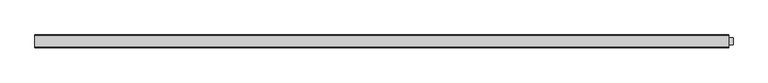
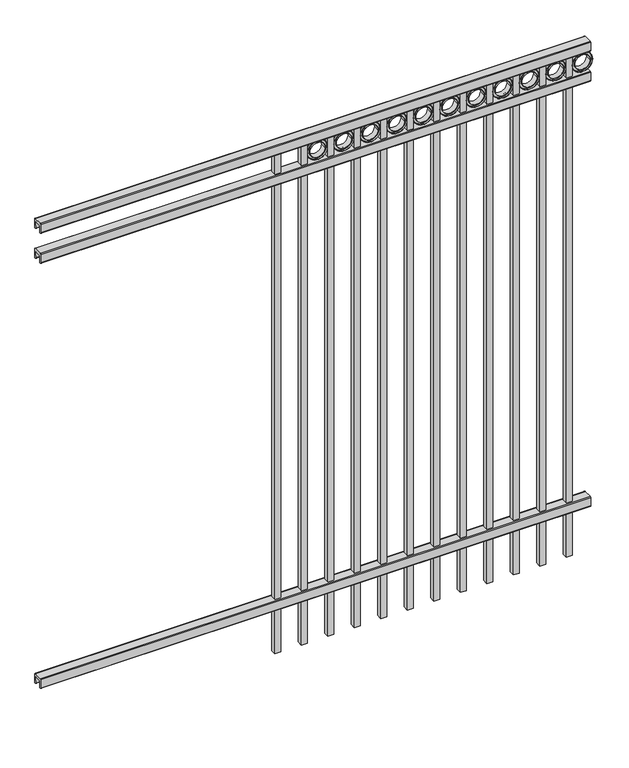
"""IFC4 building model written with IfcOpenShell, lengths in millimetres: railing geometry."""

from ifc_helpers import new_model, si_unit, point, frame, frame_2d, origin, place, context, project, spatial, polyline, circle_curve, trimmed, segment, composite_curve, outline, extrude, source, transform, mapped, element, save


def railing_67d0d50c(model_context):
    return source(origin(), model_context, "Body", "SweptSolid", [
        extrude(outline(composite_curve([segment(polyline([(7301.9139761, 304.8), (7339.969541, 304.8)]), True, "CONTINUOUS"), segment(trimmed(circle_curve(frame_2d((7339.969541, 301.625)), 3.175), [point((7339.969541, 304.8))], [point((7343.144541, 301.625))], False, "CARTESIAN"), True, "CONTINUOUS"), segment(polyline([(7343.144541, 301.625), (7343.144541, 262.1439893)]), True, "CONTINUOUS"), segment(trimmed(circle_curve(frame_2d((7341.3505518, 262.1439893)), 1.7939893), [point((7343.144541, 262.1439893))], [point((7341.3505518, 260.35))], False, "CARTESIAN"), True, "CONTINUOUS"), segment(polyline([(7341.3505518, 260.35), (7338.7590713, 260.35)]), True, "CONTINUOUS"), segment(trimmed(circle_curve(frame_2d((7338.7590713, 262.1359375)), 1.7859375), [point((7338.7590713, 260.35))], [point((7336.9755813, 262.0424688))], False, "CARTESIAN"), True, "CONTINUOUS"), segment(polyline([(7336.9755813, 262.0424688), (7335.4025867, 292.0569942), (7306.4364954, 292.0569942), (7304.8635007, 262.0424688)]), True, "CONTINUOUS"), segment(trimmed(circle_curve(frame_2d((7303.0800108, 262.1359375)), 1.7859375), [point((7304.8635007, 262.0424688))], [point((7303.0800108, 260.35))], False, "CARTESIAN"), True, "CONTINUOUS"), segment(polyline([(7303.0800108, 260.35), (7300.4804785, 260.35)]), True, "CONTINUOUS"), segment(trimmed(circle_curve(frame_2d((7300.4804785, 262.1359375)), 1.7859375), [point((7300.4804785, 260.35))], [point((7298.694541, 262.1359375))], False, "CARTESIAN"), True, "CONTINUOUS"), segment(polyline([(7298.694541, 262.1359375), (7298.694541, 301.5805649)]), True, "CONTINUOUS"), segment(trimmed(circle_curve(frame_2d((7301.9139761, 301.5805649)), 3.2194351), [point((7298.694541, 301.5805649))], [point((7301.9139761, 304.8))], False, "CARTESIAN"), True, "CONTINUOUS")], self_intersect=False)), frame((-6193.0649936, 0.0, 0.0), z_axis=(1.0, 0.0, 0.0), x_axis=(0.0, 1.0, 0.0)), (0.0, 0.0, 1.0), 2438.4),
        extrude(outline(composite_curve([segment(polyline([(7301.9139761, 2297.90625), (7339.969541, 2297.90625)]), True, "CONTINUOUS"), segment(trimmed(circle_curve(frame_2d((7339.969541, 2294.73125)), 3.175), [point((7339.969541, 2297.90625))], [point((7343.144541, 2294.73125))], False, "CARTESIAN"), True, "CONTINUOUS"), segment(polyline([(7343.144541, 2294.73125), (7343.144541, 2255.2502393)]), True, "CONTINUOUS"), segment(trimmed(circle_curve(frame_2d((7341.3505518, 2255.2502393)), 1.7939893), [point((7343.144541, 2255.2502393))], [point((7341.3505518, 2253.45625))], False, "CARTESIAN"), True, "CONTINUOUS"), segment(polyline([(7341.3505518, 2253.45625), (7338.7590713, 2253.45625)]), True, "CONTINUOUS"), segment(trimmed(circle_curve(frame_2d((7338.7590713, 2255.2421875)), 1.7859375), [point((7338.7590713, 2253.45625))], [point((7336.9755813, 2255.1487188))], False, "CARTESIAN"), True, "CONTINUOUS"), segment(polyline([(7336.9755813, 2255.1487188), (7335.4025867, 2285.1632442), (7306.4364954, 2285.1632442), (7304.8635007, 2255.1487188)]), True, "CONTINUOUS"), segment(trimmed(circle_curve(frame_2d((7303.0800108, 2255.2421875)), 1.7859375), [point((7304.8635007, 2255.1487188))], [point((7303.0800108, 2253.45625))], False, "CARTESIAN"), True, "CONTINUOUS"), segment(polyline([(7303.0800108, 2253.45625), (7300.4804785, 2253.45625)]), True, "CONTINUOUS"), segment(trimmed(circle_curve(frame_2d((7300.4804785, 2255.2421875)), 1.7859375), [point((7300.4804785, 2253.45625))], [point((7298.694541, 2255.2421875))], False, "CARTESIAN"), True, "CONTINUOUS"), segment(polyline([(7298.694541, 2255.2421875), (7298.694541, 2294.6868149)]), True, "CONTINUOUS"), segment(trimmed(circle_curve(frame_2d((7301.9139761, 2294.6868149)), 3.2194351), [point((7298.694541, 2294.6868149))], [point((7301.9139761, 2297.90625))], False, "CARTESIAN"), True, "CONTINUOUS")], self_intersect=False)), frame((-6193.0649936, 0.0, 0.0), z_axis=(1.0, 0.0, 0.0), x_axis=(0.0, 1.0, 0.0)), (0.0, 0.0, 1.0), 2438.4),
        extrude(outline(composite_curve([segment(polyline([(7301.9139761, 2438.4), (7339.969541, 2438.4)]), True, "CONTINUOUS"), segment(trimmed(circle_curve(frame_2d((7339.969541, 2435.225)), 3.175), [point((7339.969541, 2438.4))], [point((7343.144541, 2435.225))], False, "CARTESIAN"), True, "CONTINUOUS"), segment(polyline([(7343.144541, 2435.225), (7343.144541, 2395.7439893)]), True, "CONTINUOUS"), segment(trimmed(circle_curve(frame_2d((7341.3505518, 2395.7439893)), 1.7939893), [point((7343.144541, 2395.7439893))], [point((7341.3505518, 2393.95))], False, "CARTESIAN"), True, "CONTINUOUS"), segment(polyline([(7341.3505518, 2393.95), (7338.7590713, 2393.95)]), True, "CONTINUOUS"), segment(trimmed(circle_curve(frame_2d((7338.7590713, 2395.7359375)), 1.7859375), [point((7338.7590713, 2393.95))], [point((7336.9755813, 2395.6424688))], False, "CARTESIAN"), True, "CONTINUOUS"), segment(polyline([(7336.9755813, 2395.6424688), (7335.4025867, 2425.6569942), (7306.4364954, 2425.6569942), (7304.8635007, 2395.6424688)]), True, "CONTINUOUS"), segment(trimmed(circle_curve(frame_2d((7303.0800108, 2395.7359375)), 1.7859375), [point((7304.8635007, 2395.6424688))], [point((7303.0800108, 2393.95))], False, "CARTESIAN"), True, "CONTINUOUS"), segment(polyline([(7303.0800108, 2393.95), (7300.4804785, 2393.95)]), True, "CONTINUOUS"), segment(trimmed(circle_curve(frame_2d((7300.4804785, 2395.7359375)), 1.7859375), [point((7300.4804785, 2393.95))], [point((7298.694541, 2395.7359375))], False, "CARTESIAN"), True, "CONTINUOUS"), segment(polyline([(7298.694541, 2395.7359375), (7298.694541, 2435.1805649)]), True, "CONTINUOUS"), segment(trimmed(circle_curve(frame_2d((7301.9139761, 2435.1805649)), 3.2194351), [point((7298.694541, 2435.1805649))], [point((7301.9139761, 2438.4))], False, "CARTESIAN"), True, "CONTINUOUS")], self_intersect=False)), frame((-6193.0649936, 0.0, 0.0), z_axis=(1.0, 0.0, 0.0), x_axis=(0.0, 1.0, 0.0)), (0.0, 0.0, 1.0), 2438.4),
        extrude(outline(polyline([(0.0, -2343.15), (0.0, 0.0), (25.4, 0.0), (25.4, -2343.15), (0.0, -2343.15)])), frame((-3830.8649864, 7333.619541, 2393.95), z_axis=(-1.0, 0.0, 1.7709660197216138e-09), x_axis=(0.0, -1.0, 0.0)), (0.0, 0.0, 1.0), 25.4),
        extrude(outline(composite_curve([segment(trimmed(circle_curve(frame_2d((2348.2511409, -3785.1661274)), 45.6988591), [point((2348.2511409, -3739.4672684))], [point((2348.2511409, -3830.8649865))], False, "CARTESIAN"), True, "CONTINUOUS"), segment(trimmed(circle_curve(frame_2d((2348.2511409, -3785.1661274)), 45.6988591), [point((2348.2511409, -3830.8649865))], [point((2348.2511409, -3739.4672684))], False, "CARTESIAN"), True, "CONTINUOUS")], self_intersect=False), holes=[composite_curve([segment(trimmed(circle_curve(frame_2d((2348.2511409, -3785.1661274)), 44.101539), [point((2348.2511409, -3741.0645884))], [point((2348.2511409, -3829.2676665))], True, "CARTESIAN"), True, "CONTINUOUS"), segment(trimmed(circle_curve(frame_2d((2348.2511409, -3785.1661274)), 44.101539), [point((2348.2511409, -3829.2676665))], [point((2348.2511409, -3741.0645884))], True, "CARTESIAN"), True, "CONTINUOUS")], self_intersect=False)]), frame((0.0, 7308.219541, 0.0), z_axis=(0.0, 1.0, 0.0), x_axis=(0.0, 0.0, 1.0)), (0.0, 0.0, 1.0), 25.4),
        extrude(outline(composite_curve([segment(trimmed(circle_curve(frame_2d((2348.2511409, -3785.1661274)), 34.6370762), [point((2348.2511409, -3750.5290512))], [point((2348.2511409, -3819.8032037))], False, "CARTESIAN"), True, "CONTINUOUS"), segment(trimmed(circle_curve(frame_2d((2348.2511409, -3785.1661274)), 34.6370762), [point((2348.2511409, -3819.8032037))], [point((2348.2511409, -3750.5290512))], False, "CARTESIAN"), True, "CONTINUOUS")], self_intersect=False), holes=[composite_curve([segment(trimmed(circle_curve(frame_2d((2348.2511409, -3785.1661274)), 33.0443887), [point((2348.2511409, -3752.1217388))], [point((2348.2511409, -3818.2105161))], True, "CARTESIAN"), True, "CONTINUOUS"), segment(trimmed(circle_curve(frame_2d((2348.2511409, -3785.1661274)), 33.0443887), [point((2348.2511409, -3818.2105161))], [point((2348.2511409, -3752.1217388))], True, "CARTESIAN"), True, "CONTINUOUS")], self_intersect=False)]), frame((0.0, 7308.219541, 0.0), z_axis=(0.0, 1.0, 0.0), x_axis=(0.0, 0.0, 1.0)), (0.0, 0.0, 1.0), 25.4),
        extrude(outline(composite_curve([segment(trimmed(circle_curve(frame_2d((2348.2511409, -3785.1661274)), 45.6988591), [point((2348.2511409, -3739.4672684))], [point((2348.2511409, -3830.8649865))], False, "CARTESIAN"), True, "CONTINUOUS"), segment(trimmed(circle_curve(frame_2d((2348.2511409, -3785.1661274)), 45.6988591), [point((2348.2511409, -3830.8649865))], [point((2348.2511409, -3739.4672684))], False, "CARTESIAN"), True, "CONTINUOUS")], self_intersect=False), holes=[composite_curve([segment(trimmed(circle_curve(frame_2d((2348.2511409, -3785.1661274)), 33.0443887), [point((2348.2511409, -3752.1217388))], [point((2348.2511409, -3818.2105161))], True, "CARTESIAN"), True, "CONTINUOUS"), segment(trimmed(circle_curve(frame_2d((2348.2511409, -3785.1661274)), 33.0443887), [point((2348.2511409, -3818.2105161))], [point((2348.2511409, -3752.1217388))], True, "CARTESIAN"), True, "CONTINUOUS")], self_intersect=False)]), frame((0.0, 7314.569541, 0.0), z_axis=(0.0, 1.0, 0.0), x_axis=(0.0, 0.0, 1.0)), (0.0, 0.0, 1.0), 12.7),
        extrude(outline(polyline([(0.0, -2343.15), (0.0, 0.0), (25.4, 0.0), (25.4, -2343.15), (0.0, -2343.15)])), frame((-3948.3399864, 7333.619541, 2393.95), z_axis=(-1.0, 0.0, 1.7709660197216138e-09), x_axis=(0.0, -1.0, 0.0)), (0.0, 0.0, 1.0), 25.4),
        extrude(outline(composite_curve([segment(trimmed(circle_curve(frame_2d((2348.2511409, -3902.6411274)), 45.6988591), [point((2348.2511409, -3856.9422684))], [point((2348.2511409, -3948.3399865))], False, "CARTESIAN"), True, "CONTINUOUS"), segment(trimmed(circle_curve(frame_2d((2348.2511409, -3902.6411274)), 45.6988591), [point((2348.2511409, -3948.3399865))], [point((2348.2511409, -3856.9422684))], False, "CARTESIAN"), True, "CONTINUOUS")], self_intersect=False), holes=[composite_curve([segment(trimmed(circle_curve(frame_2d((2348.2511409, -3902.6411274)), 44.101539), [point((2348.2511409, -3858.5395884))], [point((2348.2511409, -3946.7426665))], True, "CARTESIAN"), True, "CONTINUOUS"), segment(trimmed(circle_curve(frame_2d((2348.2511409, -3902.6411274)), 44.101539), [point((2348.2511409, -3946.7426665))], [point((2348.2511409, -3858.5395884))], True, "CARTESIAN"), True, "CONTINUOUS")], self_intersect=False)]), frame((0.0, 7308.219541, 0.0), z_axis=(0.0, 1.0, 0.0), x_axis=(0.0, 0.0, 1.0)), (0.0, 0.0, 1.0), 25.4),
        extrude(outline(composite_curve([segment(trimmed(circle_curve(frame_2d((2348.2511409, -3902.6411274)), 34.6370762), [point((2348.2511409, -3868.0040512))], [point((2348.2511409, -3937.2782037))], False, "CARTESIAN"), True, "CONTINUOUS"), segment(trimmed(circle_curve(frame_2d((2348.2511409, -3902.6411274)), 34.6370762), [point((2348.2511409, -3937.2782037))], [point((2348.2511409, -3868.0040512))], False, "CARTESIAN"), True, "CONTINUOUS")], self_intersect=False), holes=[composite_curve([segment(trimmed(circle_curve(frame_2d((2348.2511409, -3902.6411274)), 33.0443887), [point((2348.2511409, -3869.5967388))], [point((2348.2511409, -3935.6855161))], True, "CARTESIAN"), True, "CONTINUOUS"), segment(trimmed(circle_curve(frame_2d((2348.2511409, -3902.6411274)), 33.0443887), [point((2348.2511409, -3935.6855161))], [point((2348.2511409, -3869.5967388))], True, "CARTESIAN"), True, "CONTINUOUS")], self_intersect=False)]), frame((0.0, 7308.219541, 0.0), z_axis=(0.0, 1.0, 0.0), x_axis=(0.0, 0.0, 1.0)), (0.0, 0.0, 1.0), 25.4),
        extrude(outline(composite_curve([segment(trimmed(circle_curve(frame_2d((2348.2511409, -3902.6411274)), 45.6988591), [point((2348.2511409, -3856.9422684))], [point((2348.2511409, -3948.3399865))], False, "CARTESIAN"), True, "CONTINUOUS"), segment(trimmed(circle_curve(frame_2d((2348.2511409, -3902.6411274)), 45.6988591), [point((2348.2511409, -3948.3399865))], [point((2348.2511409, -3856.9422684))], False, "CARTESIAN"), True, "CONTINUOUS")], self_intersect=False), holes=[composite_curve([segment(trimmed(circle_curve(frame_2d((2348.2511409, -3902.6411274)), 33.0443887), [point((2348.2511409, -3869.5967388))], [point((2348.2511409, -3935.6855161))], True, "CARTESIAN"), True, "CONTINUOUS"), segment(trimmed(circle_curve(frame_2d((2348.2511409, -3902.6411274)), 33.0443887), [point((2348.2511409, -3935.6855161))], [point((2348.2511409, -3869.5967388))], True, "CARTESIAN"), True, "CONTINUOUS")], self_intersect=False)]), frame((0.0, 7314.569541, 0.0), z_axis=(0.0, 1.0, 0.0), x_axis=(0.0, 0.0, 1.0)), (0.0, 0.0, 1.0), 12.7),
        extrude(outline(polyline([(0.0, -2343.15), (0.0, 0.0), (25.4, 0.0), (25.4, -2343.15), (0.0, -2343.15)])), frame((-4065.8149864, 7333.619541, 2393.95), z_axis=(-1.0, 0.0, 1.7709660197216138e-09), x_axis=(0.0, -1.0, 0.0)), (0.0, 0.0, 1.0), 25.4),
        extrude(outline(composite_curve([segment(trimmed(circle_curve(frame_2d((2348.2511409, -4020.1161274)), 45.6988591), [point((2348.2511409, -3974.4172684))], [point((2348.2511409, -4065.8149865))], False, "CARTESIAN"), True, "CONTINUOUS"), segment(trimmed(circle_curve(frame_2d((2348.2511409, -4020.1161274)), 45.6988591), [point((2348.2511409, -4065.8149865))], [point((2348.2511409, -3974.4172684))], False, "CARTESIAN"), True, "CONTINUOUS")], self_intersect=False), holes=[composite_curve([segment(trimmed(circle_curve(frame_2d((2348.2511409, -4020.1161274)), 44.101539), [point((2348.2511409, -3976.0145884))], [point((2348.2511409, -4064.2176665))], True, "CARTESIAN"), True, "CONTINUOUS"), segment(trimmed(circle_curve(frame_2d((2348.2511409, -4020.1161274)), 44.101539), [point((2348.2511409, -4064.2176665))], [point((2348.2511409, -3976.0145884))], True, "CARTESIAN"), True, "CONTINUOUS")], self_intersect=False)]), frame((0.0, 7308.219541, 0.0), z_axis=(0.0, 1.0, 0.0), x_axis=(0.0, 0.0, 1.0)), (0.0, 0.0, 1.0), 25.4),
        extrude(outline(composite_curve([segment(trimmed(circle_curve(frame_2d((2348.2511409, -4020.1161274)), 34.6370762), [point((2348.2511409, -3985.4790512))], [point((2348.2511409, -4054.7532037))], False, "CARTESIAN"), True, "CONTINUOUS"), segment(trimmed(circle_curve(frame_2d((2348.2511409, -4020.1161274)), 34.6370762), [point((2348.2511409, -4054.7532037))], [point((2348.2511409, -3985.4790512))], False, "CARTESIAN"), True, "CONTINUOUS")], self_intersect=False), holes=[composite_curve([segment(trimmed(circle_curve(frame_2d((2348.2511409, -4020.1161274)), 33.0443887), [point((2348.2511409, -3987.0717388))], [point((2348.2511409, -4053.1605161))], True, "CARTESIAN"), True, "CONTINUOUS"), segment(trimmed(circle_curve(frame_2d((2348.2511409, -4020.1161274)), 33.0443887), [point((2348.2511409, -4053.1605161))], [point((2348.2511409, -3987.0717388))], True, "CARTESIAN"), True, "CONTINUOUS")], self_intersect=False)]), frame((0.0, 7308.219541, 0.0), z_axis=(0.0, 1.0, 0.0), x_axis=(0.0, 0.0, 1.0)), (0.0, 0.0, 1.0), 25.4),
        extrude(outline(composite_curve([segment(trimmed(circle_curve(frame_2d((2348.2511409, -4020.1161274)), 45.6988591), [point((2348.2511409, -3974.4172684))], [point((2348.2511409, -4065.8149865))], False, "CARTESIAN"), True, "CONTINUOUS"), segment(trimmed(circle_curve(frame_2d((2348.2511409, -4020.1161274)), 45.6988591), [point((2348.2511409, -4065.8149865))], [point((2348.2511409, -3974.4172684))], False, "CARTESIAN"), True, "CONTINUOUS")], self_intersect=False), holes=[composite_curve([segment(trimmed(circle_curve(frame_2d((2348.2511409, -4020.1161274)), 33.0443887), [point((2348.2511409, -3987.0717388))], [point((2348.2511409, -4053.1605161))], True, "CARTESIAN"), True, "CONTINUOUS"), segment(trimmed(circle_curve(frame_2d((2348.2511409, -4020.1161274)), 33.0443887), [point((2348.2511409, -4053.1605161))], [point((2348.2511409, -3987.0717388))], True, "CARTESIAN"), True, "CONTINUOUS")], self_intersect=False)]), frame((0.0, 7314.569541, 0.0), z_axis=(0.0, 1.0, 0.0), x_axis=(0.0, 0.0, 1.0)), (0.0, 0.0, 1.0), 12.7),
        extrude(outline(polyline([(0.0, -2343.15), (0.0, 0.0), (25.4, 0.0), (25.4, -2343.15), (0.0, -2343.15)])), frame((-4183.2899864, 7333.619541, 2393.95), z_axis=(-1.0, 0.0, 1.7709660197216138e-09), x_axis=(0.0, -1.0, 0.0)), (0.0, 0.0, 1.0), 25.4),
        extrude(outline(composite_curve([segment(trimmed(circle_curve(frame_2d((2348.2511409, -4137.5911274)), 45.6988591), [point((2348.2511409, -4091.8922684))], [point((2348.2511409, -4183.2899865))], False, "CARTESIAN"), True, "CONTINUOUS"), segment(trimmed(circle_curve(frame_2d((2348.2511409, -4137.5911274)), 45.6988591), [point((2348.2511409, -4183.2899865))], [point((2348.2511409, -4091.8922684))], False, "CARTESIAN"), True, "CONTINUOUS")], self_intersect=False), holes=[composite_curve([segment(trimmed(circle_curve(frame_2d((2348.2511409, -4137.5911274)), 44.101539), [point((2348.2511409, -4093.4895884))], [point((2348.2511409, -4181.6926665))], True, "CARTESIAN"), True, "CONTINUOUS"), segment(trimmed(circle_curve(frame_2d((2348.2511409, -4137.5911274)), 44.101539), [point((2348.2511409, -4181.6926665))], [point((2348.2511409, -4093.4895884))], True, "CARTESIAN"), True, "CONTINUOUS")], self_intersect=False)]), frame((0.0, 7308.219541, 0.0), z_axis=(0.0, 1.0, 0.0), x_axis=(0.0, 0.0, 1.0)), (0.0, 0.0, 1.0), 25.4),
        extrude(outline(composite_curve([segment(trimmed(circle_curve(frame_2d((2348.2511409, -4137.5911274)), 34.6370762), [point((2348.2511409, -4102.9540512))], [point((2348.2511409, -4172.2282037))], False, "CARTESIAN"), True, "CONTINUOUS"), segment(trimmed(circle_curve(frame_2d((2348.2511409, -4137.5911274)), 34.6370762), [point((2348.2511409, -4172.2282037))], [point((2348.2511409, -4102.9540512))], False, "CARTESIAN"), True, "CONTINUOUS")], self_intersect=False), holes=[composite_curve([segment(trimmed(circle_curve(frame_2d((2348.2511409, -4137.5911274)), 33.0443887), [point((2348.2511409, -4104.5467388))], [point((2348.2511409, -4170.6355161))], True, "CARTESIAN"), True, "CONTINUOUS"), segment(trimmed(circle_curve(frame_2d((2348.2511409, -4137.5911274)), 33.0443887), [point((2348.2511409, -4170.6355161))], [point((2348.2511409, -4104.5467388))], True, "CARTESIAN"), True, "CONTINUOUS")], self_intersect=False)]), frame((0.0, 7308.219541, 0.0), z_axis=(0.0, 1.0, 0.0), x_axis=(0.0, 0.0, 1.0)), (0.0, 0.0, 1.0), 25.4),
        extrude(outline(composite_curve([segment(trimmed(circle_curve(frame_2d((2348.2511409, -4137.5911274)), 45.6988591), [point((2348.2511409, -4091.8922684))], [point((2348.2511409, -4183.2899865))], False, "CARTESIAN"), True, "CONTINUOUS"), segment(trimmed(circle_curve(frame_2d((2348.2511409, -4137.5911274)), 45.6988591), [point((2348.2511409, -4183.2899865))], [point((2348.2511409, -4091.8922684))], False, "CARTESIAN"), True, "CONTINUOUS")], self_intersect=False), holes=[composite_curve([segment(trimmed(circle_curve(frame_2d((2348.2511409, -4137.5911274)), 33.0443887), [point((2348.2511409, -4104.5467388))], [point((2348.2511409, -4170.6355161))], True, "CARTESIAN"), True, "CONTINUOUS"), segment(trimmed(circle_curve(frame_2d((2348.2511409, -4137.5911274)), 33.0443887), [point((2348.2511409, -4170.6355161))], [point((2348.2511409, -4104.5467388))], True, "CARTESIAN"), True, "CONTINUOUS")], self_intersect=False)]), frame((0.0, 7314.569541, 0.0), z_axis=(0.0, 1.0, 0.0), x_axis=(0.0, 0.0, 1.0)), (0.0, 0.0, 1.0), 12.7),
        extrude(outline(polyline([(0.0, -2343.15), (0.0, 0.0), (25.4, 0.0), (25.4, -2343.15), (0.0, -2343.15)])), frame((-4300.7649864, 7333.619541, 2393.95), z_axis=(-1.0, 0.0, 1.7709660197216138e-09), x_axis=(0.0, -1.0, 0.0)), (0.0, 0.0, 1.0), 25.4),
        extrude(outline(composite_curve([segment(trimmed(circle_curve(frame_2d((2348.2511409, -4255.0661274)), 45.6988591), [point((2348.2511409, -4209.3672684))], [point((2348.2511409, -4300.7649865))], False, "CARTESIAN"), True, "CONTINUOUS"), segment(trimmed(circle_curve(frame_2d((2348.2511409, -4255.0661274)), 45.6988591), [point((2348.2511409, -4300.7649865))], [point((2348.2511409, -4209.3672684))], False, "CARTESIAN"), True, "CONTINUOUS")], self_intersect=False), holes=[composite_curve([segment(trimmed(circle_curve(frame_2d((2348.2511409, -4255.0661274)), 44.101539), [point((2348.2511409, -4210.9645884))], [point((2348.2511409, -4299.1676665))], True, "CARTESIAN"), True, "CONTINUOUS"), segment(trimmed(circle_curve(frame_2d((2348.2511409, -4255.0661274)), 44.101539), [point((2348.2511409, -4299.1676665))], [point((2348.2511409, -4210.9645884))], True, "CARTESIAN"), True, "CONTINUOUS")], self_intersect=False)]), frame((0.0, 7308.219541, 0.0), z_axis=(0.0, 1.0, 0.0), x_axis=(0.0, 0.0, 1.0)), (0.0, 0.0, 1.0), 25.4),
        extrude(outline(composite_curve([segment(trimmed(circle_curve(frame_2d((2348.2511409, -4255.0661274)), 34.6370762), [point((2348.2511409, -4220.4290512))], [point((2348.2511409, -4289.7032037))], False, "CARTESIAN"), True, "CONTINUOUS"), segment(trimmed(circle_curve(frame_2d((2348.2511409, -4255.0661274)), 34.6370762), [point((2348.2511409, -4289.7032037))], [point((2348.2511409, -4220.4290512))], False, "CARTESIAN"), True, "CONTINUOUS")], self_intersect=False), holes=[composite_curve([segment(trimmed(circle_curve(frame_2d((2348.2511409, -4255.0661274)), 33.0443887), [point((2348.2511409, -4222.0217388))], [point((2348.2511409, -4288.1105161))], True, "CARTESIAN"), True, "CONTINUOUS"), segment(trimmed(circle_curve(frame_2d((2348.2511409, -4255.0661274)), 33.0443887), [point((2348.2511409, -4288.1105161))], [point((2348.2511409, -4222.0217388))], True, "CARTESIAN"), True, "CONTINUOUS")], self_intersect=False)]), frame((0.0, 7308.219541, 0.0), z_axis=(0.0, 1.0, 0.0), x_axis=(0.0, 0.0, 1.0)), (0.0, 0.0, 1.0), 25.4),
        extrude(outline(composite_curve([segment(trimmed(circle_curve(frame_2d((2348.2511409, -4255.0661274)), 45.6988591), [point((2348.2511409, -4209.3672684))], [point((2348.2511409, -4300.7649865))], False, "CARTESIAN"), True, "CONTINUOUS"), segment(trimmed(circle_curve(frame_2d((2348.2511409, -4255.0661274)), 45.6988591), [point((2348.2511409, -4300.7649865))], [point((2348.2511409, -4209.3672684))], False, "CARTESIAN"), True, "CONTINUOUS")], self_intersect=False), holes=[composite_curve([segment(trimmed(circle_curve(frame_2d((2348.2511409, -4255.0661274)), 33.0443887), [point((2348.2511409, -4222.0217388))], [point((2348.2511409, -4288.1105161))], True, "CARTESIAN"), True, "CONTINUOUS"), segment(trimmed(circle_curve(frame_2d((2348.2511409, -4255.0661274)), 33.0443887), [point((2348.2511409, -4288.1105161))], [point((2348.2511409, -4222.0217388))], True, "CARTESIAN"), True, "CONTINUOUS")], self_intersect=False)]), frame((0.0, 7314.569541, 0.0), z_axis=(0.0, 1.0, 0.0), x_axis=(0.0, 0.0, 1.0)), (0.0, 0.0, 1.0), 12.7),
        extrude(outline(polyline([(0.0, -2343.15), (0.0, 0.0), (25.4, 0.0), (25.4, -2343.15), (0.0, -2343.15)])), frame((-4418.2399864, 7333.619541, 2393.95), z_axis=(-1.0, 0.0, 1.7709660197216138e-09), x_axis=(0.0, -1.0, 0.0)), (0.0, 0.0, 1.0), 25.4),
        extrude(outline(composite_curve([segment(trimmed(circle_curve(frame_2d((2348.2511409, -4372.5411274)), 45.6988591), [point((2348.2511409, -4326.8422684))], [point((2348.2511409, -4418.2399865))], False, "CARTESIAN"), True, "CONTINUOUS"), segment(trimmed(circle_curve(frame_2d((2348.2511409, -4372.5411274)), 45.6988591), [point((2348.2511409, -4418.2399865))], [point((2348.2511409, -4326.8422684))], False, "CARTESIAN"), True, "CONTINUOUS")], self_intersect=False), holes=[composite_curve([segment(trimmed(circle_curve(frame_2d((2348.2511409, -4372.5411274)), 44.101539), [point((2348.2511409, -4328.4395884))], [point((2348.2511409, -4416.6426665))], True, "CARTESIAN"), True, "CONTINUOUS"), segment(trimmed(circle_curve(frame_2d((2348.2511409, -4372.5411274)), 44.101539), [point((2348.2511409, -4416.6426665))], [point((2348.2511409, -4328.4395884))], True, "CARTESIAN"), True, "CONTINUOUS")], self_intersect=False)]), frame((0.0, 7308.219541, 0.0), z_axis=(0.0, 1.0, 0.0), x_axis=(0.0, 0.0, 1.0)), (0.0, 0.0, 1.0), 25.4),
        extrude(outline(composite_curve([segment(trimmed(circle_curve(frame_2d((2348.2511409, -4372.5411274)), 34.6370762), [point((2348.2511409, -4337.9040512))], [point((2348.2511409, -4407.1782037))], False, "CARTESIAN"), True, "CONTINUOUS"), segment(trimmed(circle_curve(frame_2d((2348.2511409, -4372.5411274)), 34.6370762), [point((2348.2511409, -4407.1782037))], [point((2348.2511409, -4337.9040512))], False, "CARTESIAN"), True, "CONTINUOUS")], self_intersect=False), holes=[composite_curve([segment(trimmed(circle_curve(frame_2d((2348.2511409, -4372.5411274)), 33.0443887), [point((2348.2511409, -4339.4967388))], [point((2348.2511409, -4405.5855161))], True, "CARTESIAN"), True, "CONTINUOUS"), segment(trimmed(circle_curve(frame_2d((2348.2511409, -4372.5411274)), 33.0443887), [point((2348.2511409, -4405.5855161))], [point((2348.2511409, -4339.4967388))], True, "CARTESIAN"), True, "CONTINUOUS")], self_intersect=False)]), frame((0.0, 7308.219541, 0.0), z_axis=(0.0, 1.0, 0.0), x_axis=(0.0, 0.0, 1.0)), (0.0, 0.0, 1.0), 25.4),
        extrude(outline(composite_curve([segment(trimmed(circle_curve(frame_2d((2348.2511409, -4372.5411274)), 45.6988591), [point((2348.2511409, -4326.8422684))], [point((2348.2511409, -4418.2399865))], False, "CARTESIAN"), True, "CONTINUOUS"), segment(trimmed(circle_curve(frame_2d((2348.2511409, -4372.5411274)), 45.6988591), [point((2348.2511409, -4418.2399865))], [point((2348.2511409, -4326.8422684))], False, "CARTESIAN"), True, "CONTINUOUS")], self_intersect=False), holes=[composite_curve([segment(trimmed(circle_curve(frame_2d((2348.2511409, -4372.5411274)), 33.0443887), [point((2348.2511409, -4339.4967388))], [point((2348.2511409, -4405.5855161))], True, "CARTESIAN"), True, "CONTINUOUS"), segment(trimmed(circle_curve(frame_2d((2348.2511409, -4372.5411274)), 33.0443887), [point((2348.2511409, -4405.5855161))], [point((2348.2511409, -4339.4967388))], True, "CARTESIAN"), True, "CONTINUOUS")], self_intersect=False)]), frame((0.0, 7314.569541, 0.0), z_axis=(0.0, 1.0, 0.0), x_axis=(0.0, 0.0, 1.0)), (0.0, 0.0, 1.0), 12.7),
        extrude(outline(polyline([(0.0, -2343.15), (0.0, 0.0), (25.4, 0.0), (25.4, -2343.15), (0.0, -2343.15)])), frame((-4535.7149864, 7333.619541, 2393.95), z_axis=(-1.0, 0.0, 1.7709660197216138e-09), x_axis=(0.0, -1.0, 0.0)), (0.0, 0.0, 1.0), 25.4),
        extrude(outline(composite_curve([segment(trimmed(circle_curve(frame_2d((2348.2511409, -4490.0161274)), 45.6988591), [point((2348.2511409, -4444.3172684))], [point((2348.2511409, -4535.7149865))], False, "CARTESIAN"), True, "CONTINUOUS"), segment(trimmed(circle_curve(frame_2d((2348.2511409, -4490.0161274)), 45.6988591), [point((2348.2511409, -4535.7149865))], [point((2348.2511409, -4444.3172684))], False, "CARTESIAN"), True, "CONTINUOUS")], self_intersect=False), holes=[composite_curve([segment(trimmed(circle_curve(frame_2d((2348.2511409, -4490.0161274)), 44.101539), [point((2348.2511409, -4445.9145884))], [point((2348.2511409, -4534.1176665))], True, "CARTESIAN"), True, "CONTINUOUS"), segment(trimmed(circle_curve(frame_2d((2348.2511409, -4490.0161274)), 44.101539), [point((2348.2511409, -4534.1176665))], [point((2348.2511409, -4445.9145884))], True, "CARTESIAN"), True, "CONTINUOUS")], self_intersect=False)]), frame((0.0, 7308.219541, 0.0), z_axis=(0.0, 1.0, 0.0), x_axis=(0.0, 0.0, 1.0)), (0.0, 0.0, 1.0), 25.4),
        extrude(outline(composite_curve([segment(trimmed(circle_curve(frame_2d((2348.2511409, -4490.0161274)), 34.6370762), [point((2348.2511409, -4455.3790512))], [point((2348.2511409, -4524.6532037))], False, "CARTESIAN"), True, "CONTINUOUS"), segment(trimmed(circle_curve(frame_2d((2348.2511409, -4490.0161274)), 34.6370762), [point((2348.2511409, -4524.6532037))], [point((2348.2511409, -4455.3790512))], False, "CARTESIAN"), True, "CONTINUOUS")], self_intersect=False), holes=[composite_curve([segment(trimmed(circle_curve(frame_2d((2348.2511409, -4490.0161274)), 33.0443887), [point((2348.2511409, -4456.9717388))], [point((2348.2511409, -4523.0605161))], True, "CARTESIAN"), True, "CONTINUOUS"), segment(trimmed(circle_curve(frame_2d((2348.2511409, -4490.0161274)), 33.0443887), [point((2348.2511409, -4523.0605161))], [point((2348.2511409, -4456.9717388))], True, "CARTESIAN"), True, "CONTINUOUS")], self_intersect=False)]), frame((0.0, 7308.219541, 0.0), z_axis=(0.0, 1.0, 0.0), x_axis=(0.0, 0.0, 1.0)), (0.0, 0.0, 1.0), 25.4),
        extrude(outline(composite_curve([segment(trimmed(circle_curve(frame_2d((2348.2511409, -4490.0161274)), 45.6988591), [point((2348.2511409, -4444.3172684))], [point((2348.2511409, -4535.7149865))], False, "CARTESIAN"), True, "CONTINUOUS"), segment(trimmed(circle_curve(frame_2d((2348.2511409, -4490.0161274)), 45.6988591), [point((2348.2511409, -4535.7149865))], [point((2348.2511409, -4444.3172684))], False, "CARTESIAN"), True, "CONTINUOUS")], self_intersect=False), holes=[composite_curve([segment(trimmed(circle_curve(frame_2d((2348.2511409, -4490.0161274)), 33.0443887), [point((2348.2511409, -4456.9717388))], [point((2348.2511409, -4523.0605161))], True, "CARTESIAN"), True, "CONTINUOUS"), segment(trimmed(circle_curve(frame_2d((2348.2511409, -4490.0161274)), 33.0443887), [point((2348.2511409, -4523.0605161))], [point((2348.2511409, -4456.9717388))], True, "CARTESIAN"), True, "CONTINUOUS")], self_intersect=False)]), frame((0.0, 7314.569541, 0.0), z_axis=(0.0, 1.0, 0.0), x_axis=(0.0, 0.0, 1.0)), (0.0, 0.0, 1.0), 12.7),
        extrude(outline(polyline([(0.0, -2343.15), (0.0, 0.0), (25.4, 0.0), (25.4, -2343.15), (0.0, -2343.15)])), frame((-4653.1899864, 7333.619541, 2393.95), z_axis=(-1.0, 0.0, 1.7709660197216138e-09), x_axis=(0.0, -1.0, 0.0)), (0.0, 0.0, 1.0), 25.4),
        extrude(outline(composite_curve([segment(trimmed(circle_curve(frame_2d((2348.2511409, -4607.4911274)), 45.6988591), [point((2348.2511409, -4561.7922684))], [point((2348.2511409, -4653.1899865))], False, "CARTESIAN"), True, "CONTINUOUS"), segment(trimmed(circle_curve(frame_2d((2348.2511409, -4607.4911274)), 45.6988591), [point((2348.2511409, -4653.1899865))], [point((2348.2511409, -4561.7922684))], False, "CARTESIAN"), True, "CONTINUOUS")], self_intersect=False), holes=[composite_curve([segment(trimmed(circle_curve(frame_2d((2348.2511409, -4607.4911274)), 44.101539), [point((2348.2511409, -4563.3895884))], [point((2348.2511409, -4651.5926665))], True, "CARTESIAN"), True, "CONTINUOUS"), segment(trimmed(circle_curve(frame_2d((2348.2511409, -4607.4911274)), 44.101539), [point((2348.2511409, -4651.5926665))], [point((2348.2511409, -4563.3895884))], True, "CARTESIAN"), True, "CONTINUOUS")], self_intersect=False)]), frame((0.0, 7308.219541, 0.0), z_axis=(0.0, 1.0, 0.0), x_axis=(0.0, 0.0, 1.0)), (0.0, 0.0, 1.0), 25.4),
        extrude(outline(composite_curve([segment(trimmed(circle_curve(frame_2d((2348.2511409, -4607.4911274)), 34.6370762), [point((2348.2511409, -4572.8540512))], [point((2348.2511409, -4642.1282037))], False, "CARTESIAN"), True, "CONTINUOUS"), segment(trimmed(circle_curve(frame_2d((2348.2511409, -4607.4911274)), 34.6370762), [point((2348.2511409, -4642.1282037))], [point((2348.2511409, -4572.8540512))], False, "CARTESIAN"), True, "CONTINUOUS")], self_intersect=False), holes=[composite_curve([segment(trimmed(circle_curve(frame_2d((2348.2511409, -4607.4911274)), 33.0443887), [point((2348.2511409, -4574.4467388))], [point((2348.2511409, -4640.5355161))], True, "CARTESIAN"), True, "CONTINUOUS"), segment(trimmed(circle_curve(frame_2d((2348.2511409, -4607.4911274)), 33.0443887), [point((2348.2511409, -4640.5355161))], [point((2348.2511409, -4574.4467388))], True, "CARTESIAN"), True, "CONTINUOUS")], self_intersect=False)]), frame((0.0, 7308.219541, 0.0), z_axis=(0.0, 1.0, 0.0), x_axis=(0.0, 0.0, 1.0)), (0.0, 0.0, 1.0), 25.4),
        extrude(outline(composite_curve([segment(trimmed(circle_curve(frame_2d((2348.2511409, -4607.4911274)), 45.6988591), [point((2348.2511409, -4561.7922684))], [point((2348.2511409, -4653.1899865))], False, "CARTESIAN"), True, "CONTINUOUS"), segment(trimmed(circle_curve(frame_2d((2348.2511409, -4607.4911274)), 45.6988591), [point((2348.2511409, -4653.1899865))], [point((2348.2511409, -4561.7922684))], False, "CARTESIAN"), True, "CONTINUOUS")], self_intersect=False), holes=[composite_curve([segment(trimmed(circle_curve(frame_2d((2348.2511409, -4607.4911274)), 33.0443887), [point((2348.2511409, -4574.4467388))], [point((2348.2511409, -4640.5355161))], True, "CARTESIAN"), True, "CONTINUOUS"), segment(trimmed(circle_curve(frame_2d((2348.2511409, -4607.4911274)), 33.0443887), [point((2348.2511409, -4640.5355161))], [point((2348.2511409, -4574.4467388))], True, "CARTESIAN"), True, "CONTINUOUS")], self_intersect=False)]), frame((0.0, 7314.569541, 0.0), z_axis=(0.0, 1.0, 0.0), x_axis=(0.0, 0.0, 1.0)), (0.0, 0.0, 1.0), 12.7),
        extrude(outline(polyline([(0.0, -2343.15), (0.0, 0.0), (25.4, 0.0), (25.4, -2343.15), (0.0, -2343.15)])), frame((-4770.6649864, 7333.619541, 2393.95), z_axis=(-1.0, 0.0, 1.7709660197216138e-09), x_axis=(0.0, -1.0, 0.0)), (0.0, 0.0, 1.0), 25.4),
        extrude(outline(composite_curve([segment(trimmed(circle_curve(frame_2d((2348.2511409, -4724.9661274)), 45.6988591), [point((2348.2511409, -4679.2672684))], [point((2348.2511409, -4770.6649865))], False, "CARTESIAN"), True, "CONTINUOUS"), segment(trimmed(circle_curve(frame_2d((2348.2511409, -4724.9661274)), 45.6988591), [point((2348.2511409, -4770.6649865))], [point((2348.2511409, -4679.2672684))], False, "CARTESIAN"), True, "CONTINUOUS")], self_intersect=False), holes=[composite_curve([segment(trimmed(circle_curve(frame_2d((2348.2511409, -4724.9661274)), 44.101539), [point((2348.2511409, -4680.8645884))], [point((2348.2511409, -4769.0676665))], True, "CARTESIAN"), True, "CONTINUOUS"), segment(trimmed(circle_curve(frame_2d((2348.2511409, -4724.9661274)), 44.101539), [point((2348.2511409, -4769.0676665))], [point((2348.2511409, -4680.8645884))], True, "CARTESIAN"), True, "CONTINUOUS")], self_intersect=False)]), frame((0.0, 7308.219541, 0.0), z_axis=(0.0, 1.0, 0.0), x_axis=(0.0, 0.0, 1.0)), (0.0, 0.0, 1.0), 25.4),
        extrude(outline(composite_curve([segment(trimmed(circle_curve(frame_2d((2348.2511409, -4724.9661274)), 34.6370762), [point((2348.2511409, -4690.3290512))], [point((2348.2511409, -4759.6032037))], False, "CARTESIAN"), True, "CONTINUOUS"), segment(trimmed(circle_curve(frame_2d((2348.2511409, -4724.9661274)), 34.6370762), [point((2348.2511409, -4759.6032037))], [point((2348.2511409, -4690.3290512))], False, "CARTESIAN"), True, "CONTINUOUS")], self_intersect=False), holes=[composite_curve([segment(trimmed(circle_curve(frame_2d((2348.2511409, -4724.9661274)), 33.0443887), [point((2348.2511409, -4691.9217388))], [point((2348.2511409, -4758.0105161))], True, "CARTESIAN"), True, "CONTINUOUS"), segment(trimmed(circle_curve(frame_2d((2348.2511409, -4724.9661274)), 33.0443887), [point((2348.2511409, -4758.0105161))], [point((2348.2511409, -4691.9217388))], True, "CARTESIAN"), True, "CONTINUOUS")], self_intersect=False)]), frame((0.0, 7308.219541, 0.0), z_axis=(0.0, 1.0, 0.0), x_axis=(0.0, 0.0, 1.0)), (0.0, 0.0, 1.0), 25.4),
        extrude(outline(composite_curve([segment(trimmed(circle_curve(frame_2d((2348.2511409, -4724.9661274)), 45.6988591), [point((2348.2511409, -4679.2672684))], [point((2348.2511409, -4770.6649865))], False, "CARTESIAN"), True, "CONTINUOUS"), segment(trimmed(circle_curve(frame_2d((2348.2511409, -4724.9661274)), 45.6988591), [point((2348.2511409, -4770.6649865))], [point((2348.2511409, -4679.2672684))], False, "CARTESIAN"), True, "CONTINUOUS")], self_intersect=False), holes=[composite_curve([segment(trimmed(circle_curve(frame_2d((2348.2511409, -4724.9661274)), 33.0443887), [point((2348.2511409, -4691.9217388))], [point((2348.2511409, -4758.0105161))], True, "CARTESIAN"), True, "CONTINUOUS"), segment(trimmed(circle_curve(frame_2d((2348.2511409, -4724.9661274)), 33.0443887), [point((2348.2511409, -4758.0105161))], [point((2348.2511409, -4691.9217388))], True, "CARTESIAN"), True, "CONTINUOUS")], self_intersect=False)]), frame((0.0, 7314.569541, 0.0), z_axis=(0.0, 1.0, 0.0), x_axis=(0.0, 0.0, 1.0)), (0.0, 0.0, 1.0), 12.7),
        extrude(outline(polyline([(0.0, -2343.15), (0.0, 0.0), (25.4, 0.0), (25.4, -2343.15), (0.0, -2343.15)])), frame((-4888.1399864, 7333.619541, 2393.95), z_axis=(-1.0, 0.0, 1.7709660197216138e-09), x_axis=(0.0, -1.0, 0.0)), (0.0, 0.0, 1.0), 25.4),
        extrude(outline(composite_curve([segment(trimmed(circle_curve(frame_2d((2348.2511409, -4842.4411274)), 45.6988591), [point((2348.2511409, -4796.7422684))], [point((2348.2511409, -4888.1399865))], False, "CARTESIAN"), True, "CONTINUOUS"), segment(trimmed(circle_curve(frame_2d((2348.2511409, -4842.4411274)), 45.6988591), [point((2348.2511409, -4888.1399865))], [point((2348.2511409, -4796.7422684))], False, "CARTESIAN"), True, "CONTINUOUS")], self_intersect=False), holes=[composite_curve([segment(trimmed(circle_curve(frame_2d((2348.2511409, -4842.4411274)), 44.101539), [point((2348.2511409, -4798.3395884))], [point((2348.2511409, -4886.5426665))], True, "CARTESIAN"), True, "CONTINUOUS"), segment(trimmed(circle_curve(frame_2d((2348.2511409, -4842.4411274)), 44.101539), [point((2348.2511409, -4886.5426665))], [point((2348.2511409, -4798.3395884))], True, "CARTESIAN"), True, "CONTINUOUS")], self_intersect=False)]), frame((0.0, 7308.219541, 0.0), z_axis=(0.0, 1.0, 0.0), x_axis=(0.0, 0.0, 1.0)), (0.0, 0.0, 1.0), 25.4),
        extrude(outline(composite_curve([segment(trimmed(circle_curve(frame_2d((2348.2511409, -4842.4411274)), 34.6370762), [point((2348.2511409, -4807.8040512))], [point((2348.2511409, -4877.0782037))], False, "CARTESIAN"), True, "CONTINUOUS"), segment(trimmed(circle_curve(frame_2d((2348.2511409, -4842.4411274)), 34.6370762), [point((2348.2511409, -4877.0782037))], [point((2348.2511409, -4807.8040512))], False, "CARTESIAN"), True, "CONTINUOUS")], self_intersect=False), holes=[composite_curve([segment(trimmed(circle_curve(frame_2d((2348.2511409, -4842.4411274)), 33.0443887), [point((2348.2511409, -4809.3967388))], [point((2348.2511409, -4875.4855161))], True, "CARTESIAN"), True, "CONTINUOUS"), segment(trimmed(circle_curve(frame_2d((2348.2511409, -4842.4411274)), 33.0443887), [point((2348.2511409, -4875.4855161))], [point((2348.2511409, -4809.3967388))], True, "CARTESIAN"), True, "CONTINUOUS")], self_intersect=False)]), frame((0.0, 7308.219541, 0.0), z_axis=(0.0, 1.0, 0.0), x_axis=(0.0, 0.0, 1.0)), (0.0, 0.0, 1.0), 25.4),
        extrude(outline(composite_curve([segment(trimmed(circle_curve(frame_2d((2348.2511409, -4842.4411274)), 45.6988591), [point((2348.2511409, -4796.7422684))], [point((2348.2511409, -4888.1399865))], False, "CARTESIAN"), True, "CONTINUOUS"), segment(trimmed(circle_curve(frame_2d((2348.2511409, -4842.4411274)), 45.6988591), [point((2348.2511409, -4888.1399865))], [point((2348.2511409, -4796.7422684))], False, "CARTESIAN"), True, "CONTINUOUS")], self_intersect=False), holes=[composite_curve([segment(trimmed(circle_curve(frame_2d((2348.2511409, -4842.4411274)), 33.0443887), [point((2348.2511409, -4809.3967388))], [point((2348.2511409, -4875.4855161))], True, "CARTESIAN"), True, "CONTINUOUS"), segment(trimmed(circle_curve(frame_2d((2348.2511409, -4842.4411274)), 33.0443887), [point((2348.2511409, -4875.4855161))], [point((2348.2511409, -4809.3967388))], True, "CARTESIAN"), True, "CONTINUOUS")], self_intersect=False)]), frame((0.0, 7314.569541, 0.0), z_axis=(0.0, 1.0, 0.0), x_axis=(0.0, 0.0, 1.0)), (0.0, 0.0, 1.0), 12.7),
        extrude(outline(polyline([(0.0, -2343.15), (0.0, 0.0), (25.4, 0.0), (25.4, -2343.15), (0.0, -2343.15)])), frame((-5005.6149864, 7333.619541, 2393.95), z_axis=(-1.0, 0.0, 1.7709660197216138e-09), x_axis=(0.0, -1.0, 0.0)), (0.0, 0.0, 1.0), 25.4),
        extrude(outline(composite_curve([segment(trimmed(circle_curve(frame_2d((2348.2511409, -4959.9161274)), 45.6988591), [point((2348.2511409, -4914.2172684))], [point((2348.2511409, -5005.6149865))], False, "CARTESIAN"), True, "CONTINUOUS"), segment(trimmed(circle_curve(frame_2d((2348.2511409, -4959.9161274)), 45.6988591), [point((2348.2511409, -5005.6149865))], [point((2348.2511409, -4914.2172684))], False, "CARTESIAN"), True, "CONTINUOUS")], self_intersect=False), holes=[composite_curve([segment(trimmed(circle_curve(frame_2d((2348.2511409, -4959.9161274)), 44.101539), [point((2348.2511409, -4915.8145884))], [point((2348.2511409, -5004.0176665))], True, "CARTESIAN"), True, "CONTINUOUS"), segment(trimmed(circle_curve(frame_2d((2348.2511409, -4959.9161274)), 44.101539), [point((2348.2511409, -5004.0176665))], [point((2348.2511409, -4915.8145884))], True, "CARTESIAN"), True, "CONTINUOUS")], self_intersect=False)]), frame((0.0, 7308.219541, 0.0), z_axis=(0.0, 1.0, 0.0), x_axis=(0.0, 0.0, 1.0)), (0.0, 0.0, 1.0), 25.4),
        extrude(outline(composite_curve([segment(trimmed(circle_curve(frame_2d((2348.2511409, -4959.9161274)), 34.6370762), [point((2348.2511409, -4925.2790512))], [point((2348.2511409, -4994.5532037))], False, "CARTESIAN"), True, "CONTINUOUS"), segment(trimmed(circle_curve(frame_2d((2348.2511409, -4959.9161274)), 34.6370762), [point((2348.2511409, -4994.5532037))], [point((2348.2511409, -4925.2790512))], False, "CARTESIAN"), True, "CONTINUOUS")], self_intersect=False), holes=[composite_curve([segment(trimmed(circle_curve(frame_2d((2348.2511409, -4959.9161274)), 33.0443887), [point((2348.2511409, -4926.8717388))], [point((2348.2511409, -4992.9605161))], True, "CARTESIAN"), True, "CONTINUOUS"), segment(trimmed(circle_curve(frame_2d((2348.2511409, -4959.9161274)), 33.0443887), [point((2348.2511409, -4992.9605161))], [point((2348.2511409, -4926.8717388))], True, "CARTESIAN"), True, "CONTINUOUS")], self_intersect=False)]), frame((0.0, 7308.219541, 0.0), z_axis=(0.0, 1.0, 0.0), x_axis=(0.0, 0.0, 1.0)), (0.0, 0.0, 1.0), 25.4),
        extrude(outline(composite_curve([segment(trimmed(circle_curve(frame_2d((2348.2511409, -4959.9161274)), 45.6988591), [point((2348.2511409, -4914.2172684))], [point((2348.2511409, -5005.6149865))], False, "CARTESIAN"), True, "CONTINUOUS"), segment(trimmed(circle_curve(frame_2d((2348.2511409, -4959.9161274)), 45.6988591), [point((2348.2511409, -5005.6149865))], [point((2348.2511409, -4914.2172684))], False, "CARTESIAN"), True, "CONTINUOUS")], self_intersect=False), holes=[composite_curve([segment(trimmed(circle_curve(frame_2d((2348.2511409, -4959.9161274)), 33.0443887), [point((2348.2511409, -4926.8717388))], [point((2348.2511409, -4992.9605161))], True, "CARTESIAN"), True, "CONTINUOUS"), segment(trimmed(circle_curve(frame_2d((2348.2511409, -4959.9161274)), 33.0443887), [point((2348.2511409, -4992.9605161))], [point((2348.2511409, -4926.8717388))], True, "CARTESIAN"), True, "CONTINUOUS")], self_intersect=False)]), frame((0.0, 7314.569541, 0.0), z_axis=(0.0, 1.0, 0.0), x_axis=(0.0, 0.0, 1.0)), (0.0, 0.0, 1.0), 12.7),
        extrude(outline(polyline([(0.0, -2343.15), (0.0, 0.0), (25.4, 0.0), (25.4, -2343.15), (0.0, -2343.15)])), frame((-5123.0899864, 7333.619541, 2393.95), z_axis=(-1.0, 0.0, 1.7709660197216138e-09), x_axis=(0.0, -1.0, 0.0)), (0.0, 0.0, 1.0), 25.4),
    ])


if __name__ == "__main__":
    model = new_model("IFC4")
    model_context = context("Model", 3, world=origin())
    ifc_project = project(units=[si_unit("LENGTHUNIT", "METRE", prefix="MILLI")], contexts=[model_context])
    site = spatial("IfcSite", under=ifc_project)
    building = spatial("IfcBuilding", under=site)
    placement = place(None, origin())
    railing_shape = railing_67d0d50c(model_context)
    element("IfcRailing", 1, at=placement, inside=building, context=model_context, shape_type="MappedRepresentation", body=[
        mapped(railing_shape, transform((0.0, 0.0, 0.0), x_axis=(1.0, 0.0, 0.0), y_axis=(0.0, 1.0, 0.0), z_axis=(0.0, 0.0, 1.0))),
    ])
    save(model, "model.ifc")
